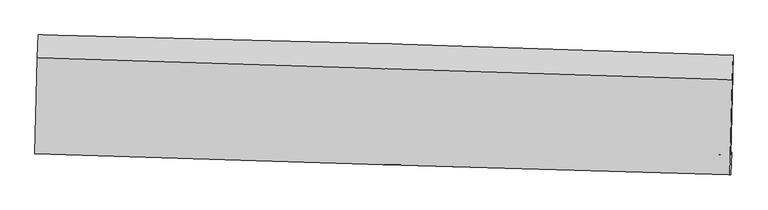
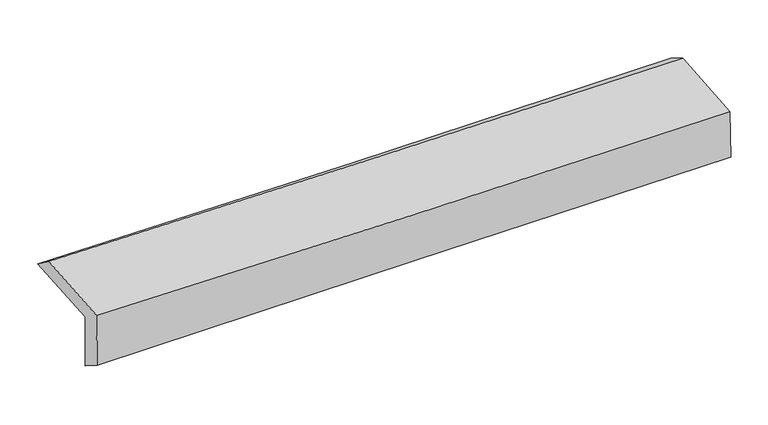
"""IFC4 building model written with IfcOpenShell, lengths in millimetres: proxy geometry."""

from ifc_helpers import new_model, si_unit, frame, origin, place, context, project, spatial, source, transform, mapped, element, save
from ifc_brep_helpers import plane_surface, spline_curve, spline_surface, advanced_brep


def generic_models_45a6c299(model_context):
    return source(origin(), model_context, "Body", "AdvancedBrep", [
        advanced_brep(
        [(-2394.4993051, -1719.3712497, 1997.583387), (-2378.5383282, -1062.9687, 2021.7465477), (2379.9267628, -1202.946243, 2105.5385157), (2363.3960498, -1882.4930139, 2087.0203726), (-2388.0608298, -1704.9349519, 1591.6560587), (2369.7461498, -1867.8254568, 1687.3398265), (-2393.900593, -1874.1967801, 1700.5381313), (2364.1837916, -2020.9694814, 1805.7923602), (-2400.1015298, -1877.8475224, 2108.513132), (2358.6881555, -2019.1153227, 2175.712977), (-2384.1872775, -1219.6418278, 2138.7900036), (2374.2810385, -1369.2927213, 2207.7571627)],
        [
            (0, 1),
            (1, 2, spline_curve(3, [(-2378.5383282, -1062.9687, 2021.7465477), (-1581.759237269, -1079.040523026, 2024.259519506), (-785.173746903, -1098.805378969, 2032.551929091), (800.978072213, -1145.525811459, 2060.578440877), (1590.547612282, -1172.420136294, 2080.2166872), (2379.9267628, -1202.946243, 2105.5385157)], [4, 2, 4], [0.0, 7.843601694311383, 15.621885728259244])),
            (2, 3),
            (3, 0, spline_curve(3, [(2363.3960498, -1882.4930139, 2087.0203726), (1574.006997526, -1853.744855172, 2058.389601142), (784.47956785, -1825.830630781, 2036.623473416), (-801.483216555, -1771.44264455, 2006.695369886), (-1597.920905269, -1744.982947671, 1998.649169323), (-2394.4993051, -1719.3712497, 1997.583387)], [4, 2, 4], [0.0, 7.778284033947861, 15.621885728259244])),
            (4, 0),
            (3, 5),
            (5, 4, spline_curve(3, [(2369.7461498, -1867.8254568, 1687.3398265), (1580.33786369, -1839.334448721, 1659.574024482), (790.808080013, -1811.568447799, 1637.725968426), (-795.125530738, -1757.259385325, 1605.731574177), (-1591.531406918, -1730.728551389, 1595.685040948), (-2388.0608298, -1704.9349519, 1591.6560587)], [4, 2, 4], [0.0, 7.778529647695447, 15.622379018280713])),
            (6, 4),
            (5, 7),
            (7, 6, spline_curve(3, [(2364.1837916, -2020.9694814, 1805.7923602), (1574.487215253, -1997.337115661, 1789.017967899), (784.78975968, -1973.342535288, 1771.897711808), (-801.238353937, -1924.424410629, 1736.81880213), (-1597.569026318, -1899.494757124, 1718.854315026), (-2393.900593, -1874.1967801, 1700.5381313)], [4, 2, 4], [0.0, 7.778298618908713, 15.621915020657259])),
            (8, 6),
            (7, 9),
            (9, 8, spline_curve(3, [(2358.6881555, -2019.1153227, 2175.712977), (1568.939901268, -1998.054492159, 2158.151198566), (779.15821393, -1975.805968734, 2143.780338989), (-807.104450483, -1928.73673309, 2121.326574748), (-1603.585991563, -1903.895989493, 2113.297485914), (-2400.1015298, -1877.8475224, 2108.513132)], [4, 2, 4], [0.0, 7.7780520082294595, 15.621419728400785])),
            (10, 8),
            (9, 11),
            (11, 10, spline_curve(3, [(2374.2810385, -1369.2927213, 2207.7571627), (1584.662830459, -1344.102655319, 2189.309893151), (794.972995286, -1319.088120382, 2174.348389878), (-791.181902046, -1269.201529016, 2151.300547923), (-1587.648172139, -1244.332432536, 2143.27299829), (-2384.1872775, -1219.6418278, 2138.7900036)], [4, 2, 4], [0.0, 7.778021542782522, 15.621358541675198])),
            (1, 10),
            (11, 2),
        ],
        [
            spline_surface(3, 3, [[(-2394.4993051, -1719.3712497, 1997.583387), (-1597.920905168, -1744.982947792, 1998.649169316), (-801.483216606, -1771.442644651, 2006.695369916), (784.479567901, -1825.83063068, 2036.623473387), (1574.00699764, -1853.744855217, 2058.38960127), (2363.3960498, -1882.4930139, 2087.0203726)], [(-2389.178979457, -1500.570399783, 2005.63777392), (-1592.533682555, -1523.002139504, 2007.185952691), (-796.046726742, -1547.230222769, 2015.314222977), (789.979069372, -1599.062357598, 2044.608462568), (1579.520535867, -1626.636615596, 2065.665296574), (2368.906287465, -1655.977423584, 2093.193086944)], [(-2383.858653843, -1281.769549917, 2013.69216078), (-1587.146459973, -1301.021331267, 2015.722736006), (-790.610236873, -1323.017800881, 2023.933076007), (795.478570847, -1372.29408451, 2052.593451719), (1585.034074098, -1399.528376024, 2072.940991945), (2374.416525135, -1429.461833316, 2099.365801356)], [(-2378.5383282, -1062.9687, 2021.7465477), (-1581.75923736, -1079.040522979, 2024.259519382), (-785.173747009, -1098.805378999, 2032.551929068), (800.978072318, -1145.525811429, 2060.5784409), (1590.547612324, -1172.420136403, 2080.216687249), (2379.9267628, -1202.946243, 2105.5385157)]], [4, 4], [4, 2, 4], [0.0, 2.2214441978483968], [0.0, 7.843601694311383, 15.621885728259244]),
            spline_surface(3, 3, [[(-2388.0608298, -1704.9349519, 1591.6560587), (-1591.531406882, -1730.728551274, 1595.685040936), (-795.125530735, -1757.259385304, 1605.731574119), (790.80808001, -1811.568447819, 1637.725968483), (1580.337863761, -1839.334448721, 1659.574024597), (2369.7461498, -1867.8254568, 1687.3398265)], [(-2390.20698826, -1709.747051183, 1726.965168121), (-1593.661239671, -1735.480016796, 1730.00641705), (-797.244759376, -1761.987138405, 1739.386172714), (788.698575956, -1816.322508758, 1770.691803447), (1578.227575043, -1844.137917553, 1792.512550182), (2367.629449789, -1872.7146425, 1820.566675228)], [(-2392.35314664, -1714.559150417, 1862.274277579), (-1595.791072379, -1740.23148227, 1864.327793201), (-799.363987966, -1766.714891551, 1873.040771321), (786.589071954, -1821.076569742, 1903.657638423), (1576.117286358, -1848.941386385, 1925.451075684), (2365.512749811, -1877.6038282, 1953.793523872)], [(-2394.4993051, -1719.3712497, 1997.583387), (-1597.920905168, -1744.982947792, 1998.649169316), (-801.483216606, -1771.442644651, 2006.695369916), (784.479567901, -1825.83063068, 2036.623473387), (1574.00699764, -1853.744855217, 2058.38960127), (2363.3960498, -1882.4930139, 2087.0203726)]], [4, 4], [4, 2, 4], [0.0, 1.3131312741397374], [0.0, 7.843849370585265, 15.622379018280713]),
            spline_surface(3, 3, [[(-2393.900593, -1874.1967801, 1700.5381313), (-1597.569026303, -1899.494757169, 1718.854315045), (-801.238353811, -1924.424410509, 1736.818802055), (784.789759555, -1973.342535406, 1771.897711883), (1574.487215267, -1997.337115783, 1789.017967865), (2364.1837916, -2020.9694814, 1805.7923602)], [(-2391.954005267, -1817.776170702, 1664.244107101), (-1595.556486496, -1843.239355206, 1677.797890343), (-799.200746114, -1868.702735431, 1693.123059408), (786.795866379, -1919.417839535, 1727.173797415), (1576.437431417, -1944.669560091, 1745.869986775), (2366.037910986, -1969.921473195, 1766.308182299)], [(-2390.007417533, -1761.355561298, 1627.950082899), (-1593.543946689, -1786.983953236, 1636.741465638), (-797.163138433, -1812.981060382, 1649.427316766), (788.801973186, -1865.493143691, 1682.449882951), (1578.387647611, -1892.002004414, 1702.722005687), (2367.892030414, -1918.873465005, 1726.824004401)], [(-2388.0608298, -1704.9349519, 1591.6560587), (-1591.531406882, -1730.728551274, 1595.685040936), (-795.125530735, -1757.259385304, 1605.731574119), (790.80808001, -1811.568447819, 1637.725968483), (1580.337863761, -1839.334448721, 1659.574024597), (2369.7461498, -1867.8254568, 1687.3398265)]], [4, 4], [4, 2, 4], [0.0, 0.69350389230542], [0.0, 7.8436164017485455, 15.621915020657259]),
            spline_surface(3, 3, [[(-2400.1015298, -1877.8475224, 2108.513132), (-1603.585991685, -1903.895989451, 2113.297485848), (-807.104450568, -1928.736732983, 2121.326574662), (779.158214015, -1975.80596884, 2143.780339075), (1568.939901307, -1998.054492088, 2158.151198638), (2358.6881555, -2019.1153227, 2175.712977)], [(-2398.034550848, -1876.63060827, 1972.52146509), (-1601.580336538, -1902.428911994, 1981.816428903), (-805.149084984, -1927.299292158, 1993.157317135), (781.03539586, -1974.984824361, 2019.819463352), (1570.789005966, -1997.815366655, 2035.10678838), (2360.520034205, -2019.733375602, 2052.406104733)], [(-2395.967571952, -1875.41369423, 1836.52979821), (-1599.57468145, -1900.961834627, 1850.335371989), (-803.193719395, -1925.861851334, 1864.988059583), (782.91257771, -1974.163679885, 1895.858587605), (1572.638110608, -1997.576241216, 1912.062378124), (2362.351912895, -2020.351428498, 1929.099232467)], [(-2393.900593, -1874.1967801, 1700.5381313), (-1597.569026303, -1899.494757169, 1718.854315045), (-801.238353811, -1924.424410509, 1736.818802055), (784.789759555, -1973.342535406, 1771.897711883), (1574.487215267, -1997.337115783, 1789.017967865), (2364.1837916, -2020.9694814, 1805.7923602)]], [4, 4], [4, 2, 4], [0.0, 1.2411650690630822], [0.0, 7.843367720171325, 15.621419728400785]),
            spline_surface(3, 3, [[(-2384.1872775, -1219.6418278, 2138.7900036), (-1587.648172252, -1244.332432602, 2143.272998401), (-791.181902037, -1269.201528918, 2151.300547968), (794.972995277, -1319.08812048, 2174.348389834), (1584.662830399, -1344.102655342, 2189.309893265), (2374.2810385, -1369.2927213, 2207.7571627)], [(-2389.492028263, -1439.043726015, 2128.697713093), (-1592.960778726, -1464.186951567, 2133.281160909), (-796.489418211, -1489.046596964, 2141.309223536), (789.701401526, -1537.994069957, 2164.159039584), (1579.421854053, -1562.086600939, 2178.923661709), (2369.083410851, -1585.900255114, 2197.075767453)], [(-2394.796779037, -1658.445624185, 2118.605422507), (-1598.273385211, -1684.041470487, 2123.289323339), (-801.796934394, -1708.891664938, 2131.317899095), (784.429807766, -1756.900019363, 2153.969689325), (1574.180877653, -1780.070546492, 2168.537430194), (2363.885783149, -1802.507788886, 2186.394372247)], [(-2400.1015298, -1877.8475224, 2108.513132), (-1603.585991685, -1903.895989451, 2113.297485848), (-807.104450568, -1928.736732983, 2121.326574662), (779.158214015, -1975.80596884, 2143.780339075), (1568.939901307, -1998.054492088, 2158.151198638), (2358.6881555, -2019.1153227, 2175.712977)]], [4, 4], [4, 2, 4], [0.0, 2.162155506685397], [0.0, 7.843336998892676, 15.621358541675198]),
            spline_surface(3, 3, [[(-2378.5383282, -1062.9687, 2021.7465477), (-1581.75923736, -1079.040522979, 2024.259519382), (-785.173747009, -1098.805378999, 2032.551929068), (800.978072318, -1145.525811429, 2060.5784409), (1590.547612324, -1172.420136403, 2080.216687249), (2379.9267628, -1202.946243, 2105.5385157)], [(-2380.421311306, -1115.193075947, 2060.761032975), (-1583.722215664, -1134.137826201, 2063.930679029), (-787.17646534, -1155.604095638, 2072.134802018), (798.976379983, -1203.379914445, 2098.501757195), (1588.586018353, -1229.647642721, 2116.581089263), (2378.044854704, -1258.395069105, 2139.611398043)], [(-2382.304294394, -1167.417451853, 2099.775518325), (-1585.685193948, -1189.23512938, 2103.601838753), (-789.179183707, -1212.402812279, 2111.717675018), (796.974687612, -1261.234017463, 2136.425073539), (1586.624424371, -1286.875149024, 2152.94549125), (2376.162946596, -1313.843895195, 2173.684280357)], [(-2384.1872775, -1219.6418278, 2138.7900036), (-1587.648172252, -1244.332432602, 2143.272998401), (-791.181902037, -1269.201528918, 2151.300547968), (794.972995277, -1319.08812048, 2174.348389834), (1584.662830399, -1344.102655342, 2189.309893265), (2374.2810385, -1369.2927213, 2207.7571627)]], [4, 4], [4, 2, 4], [0.0, 0.6813519632186419], [0.0, 7.8433151336442775, 15.621314993261445]),
            plane_surface(frame((2368.3703247, -1727.1070399, 2011.5268691), z_axis=(0.9995821653220074, -0.024723973120194923, 0.014973974867053593), x_axis=(0.014854432249215292, -0.005011699153241148, -0.9998771068057069))),
            plane_surface(frame((-2389.8813106, -1576.4935053, 1926.4712101), z_axis=(-0.999578926404355, 0.024856683201147322, -0.014970477232037222), x_axis=(-0.02429220724281836, -0.9990282451809903, -0.036775725660591806))),
        ],
        [
            (0, [[1, 2, 3, 4]]),
            (1, [[5, -4, 6, 7]]),
            (2, [[8, -7, 9, 10]]),
            (3, [[11, -10, 12, 13]]),
            (4, [[14, -13, 15, 16]]),
            (5, [[17, -16, 18, -2]]),
            (6, [[-12, -9, -6, -3, -18, -15]]),
            (7, [[-1, -5, -8, -11, -14, -17]]),
        ],
    ),
    ])


if __name__ == "__main__":
    model = new_model("IFC4")
    model_context = context("Model", 3, world=origin())
    ifc_project = project(units=[si_unit("LENGTHUNIT", "METRE", prefix="MILLI")], contexts=[model_context])
    site = spatial("IfcSite", under=ifc_project)
    building = spatial("IfcBuilding", under=site)
    placement = place(None, origin())
    generic_models_shape = generic_models_45a6c299(model_context)
    element("IfcBuildingElementProxy", 1, Name="Generic Models", at=placement, inside=building, context=model_context, shape_type="MappedRepresentation", body=[
        mapped(generic_models_shape, transform((0.0, 0.0, 0.0), x_axis=(1.0, 0.0, 0.0), y_axis=(0.0, 1.0, 0.0), z_axis=(0.0, 0.0, 1.0))),
    ])
    save(model, "model.ifc")
